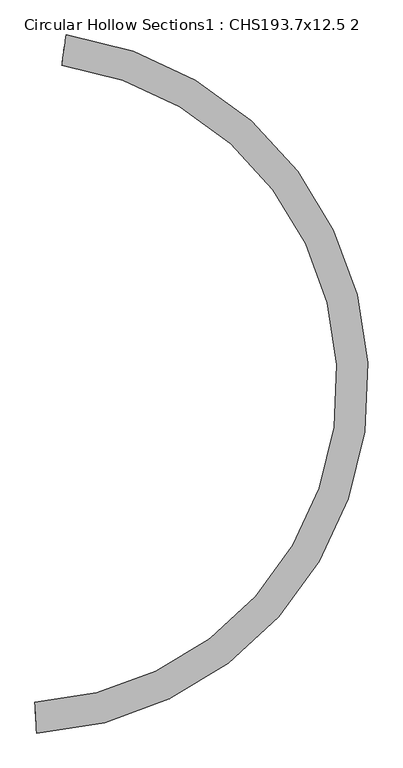
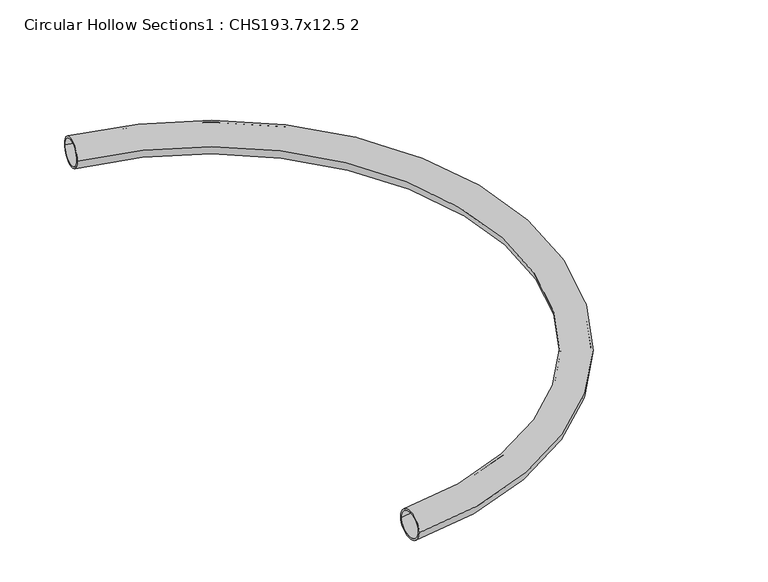
"""IFC4 building model written with IfcOpenShell, lengths in millimetres: beam geometry, Circular Hollow Sections1 : CHS193.7x12.5 2."""

from ifc_helpers import new_model, si_unit, point, frame, origin, place, context, project, spatial, circle_curve, ellipse_curve, trimmed, source, transform, mapped, element, save
from ifc_brep_helpers import plane_surface, revolved_surface, advanced_brep


def circular_hollow_sections1_chs193_7x12_5_2_e1fdd143(model_context):
    return source(origin(), model_context, "Body", "AdvancedBrep", [
        advanced_brep(
        [(281.3026578, 4103.3995428, 0.0), (308.3688599, 4295.1992057, 0.0), (306.6222026, 4282.8218398, 0.0), (283.0493151, 4115.7769088, 0.0), (112.0487616, 99.9706476, 0.0), (122.8297989, -93.4290919, 0.0), (122.1340685, -80.9484685, 0.0), (112.7444919, 87.4900242, 0.0)],
        [
            (0, 1, circle_curve(frame((294.8357589, 4199.2993743, 0.0), z_axis=(-0.9901892769025886, 0.1397325871338846, 0.0), x_axis=(0.1397325871338846, 0.9901892769025886, 0.0)), 96.85)),
            (1, 0, circle_curve(frame((294.8357589, 4199.2993743, 0.0), z_axis=(-0.9901892769025884, 0.13973258713388623, 0.0), x_axis=(0.13973258713388623, 0.9901892769025884, 0.0)), 96.85)),
            (2, 3, circle_curve(frame((294.8357589, 4199.2993743, 0.0), z_axis=(0.9901892769025886, -0.1397325871338846, 0.0), x_axis=(0.1397325871338846, 0.9901892769025886, 0.0)), 84.35)),
            (3, 2, circle_curve(frame((294.8357589, 4199.2993743, 0.0), z_axis=(0.9901892769025884, -0.13973258713388623, 0.0), x_axis=(0.13973258713388623, 0.9901892769025884, 0.0)), 84.35)),
            (4, 5, circle_curve(frame((117.4392802, 3.2707779, 0.0), z_axis=(-0.99844986831728, -0.05565842665047501, 0.0), x_axis=(0.05565842665047502, -0.99844986831728, 0.0)), 96.85)),
            (5, 4, circle_curve(frame((117.4392802, 3.2707779, 0.0), z_axis=(-0.9984498683172799, -0.055658426650476454, 0.0), x_axis=(0.05565842665047646, -0.9984498683172799, 0.0)), 96.85)),
            (6, 7, circle_curve(frame((117.4392802, 3.2707779, 0.0), z_axis=(0.99844986831728, 0.05565842665047479, 0.0), x_axis=(0.055658426650474796, -0.99844986831728, 0.0)), 84.35)),
            (7, 6, circle_curve(frame((117.4392802, 3.2707779, 0.0), z_axis=(0.9984498683172799, 0.055658426650476676, 0.0), x_axis=(0.05565842665047668, -0.9984498683172799, 0.0)), 84.35)),
            (1, 5, circle_curve(frame((0.0, 2110.0, 0.0), z_axis=(0.0, 0.0, -1.0), x_axis=(-0.9991075140054365, 0.042239501155631805, 0.0)), 2206.85)),
            (4, 0, circle_curve(frame((0.0, 2110.0, 0.0), z_axis=(0.0, 0.0, 1.0), x_axis=(-0.9991075140054365, 0.042239501155631805, 0.0)), 2013.15)),
            (3, 7, circle_curve(frame((0.0, 2110.0, 0.0), z_axis=(0.0, 0.0, -1.0), x_axis=(-0.9991075140054365, 0.042239501155631805, 0.0)), 2025.65)),
            (6, 2, circle_curve(frame((0.0, 2110.0, 0.0), z_axis=(0.0, 0.0, 1.0), x_axis=(-0.9991075140054365, 0.042239501155631805, 0.0)), 2194.35)),
        ],
        [
            plane_surface(frame((308.3688599, 4295.1992057, 0.0), z_axis=(-0.9901892769025904, 0.13973258713387252, 0.0), x_axis=(0.0, 0.0, 1.0))),
            plane_surface(frame((122.8297989, -93.4290919, 0.0), z_axis=(-0.9984498683172796, -0.055658426650482415, 0.0), x_axis=(0.0, 0.0, -1.0))),
            revolved_surface(trimmed(ellipse_curve(frame((-2108.1168546, 2199.1253474, 0.0), z_axis=(-0.042239501155643844, -0.999107514005436, 0.0), x_axis=(-0.999107514005436, 0.04223950115564385, 0.0)), 96.85, 96.85), [point((-2204.8804173, 2203.2162431, 0.0))], [point((-2011.3532918, 2195.0344518, 0.0))], True, "CARTESIAN"), (0.0, 2110.0, 0.0), (0.0, 0.0, -1.0000000000000002)),
            revolved_surface(trimmed(ellipse_curve(frame((-2108.1168546, 2199.1253474, 0.0), z_axis=(-0.0422395011556422, -0.9991075140054361, 0.0), x_axis=(-0.9991075140054361, 0.042239501155642206, 0.0)), 96.85, 96.85), [point((-2011.3532918, 2195.0344518, 0.0))], [point((-2204.8804173, 2203.2162431, 0.0))], True, "CARTESIAN"), (0.0, 2110.0, 0.0), (0.0, 0.0, -1.0000000000000002)),
            revolved_surface(trimmed(ellipse_curve(frame((-2108.1168546, 2199.1253474, 0.0), z_axis=(0.042239501155643844, 0.999107514005436, 0.0), x_axis=(-0.999107514005436, 0.04223950115564385, 0.0)), 84.35, 84.35), [point((-2023.8421357, 2195.5624455, 0.0))], [point((-2192.3915734, 2202.6882494, 0.0))], True, "CARTESIAN"), (0.0, 2110.0, 0.0), (0.0, 0.0, -1.0000000000000002)),
            revolved_surface(trimmed(ellipse_curve(frame((-2108.1168546, 2199.1253474, 0.0), z_axis=(0.0422395011556422, 0.9991075140054361, 0.0), x_axis=(-0.9991075140054361, 0.042239501155642206, 0.0)), 84.35, 84.35), [point((-2192.3915734, 2202.6882494, 0.0))], [point((-2023.8421357, 2195.5624455, 0.0))], True, "CARTESIAN"), (0.0, 2110.0, 0.0), (0.0, 0.0, -1.0000000000000002)),
        ],
        [
            (0, [[1, 2], [3, 4]]),
            (1, [[5, 6], [7, 8]]),
            (2, [[9, -5, 10, -2]]),
            (3, [[-10, -6, -9, -1]]),
            (4, [[11, -7, 12, -4]]),
            (5, [[-12, -8, -11, -3]]),
        ],
    ),
    ])


if __name__ == "__main__":
    model = new_model("IFC4")
    model_context = context("Model", 3, world=origin())
    ifc_project = project(units=[si_unit("LENGTHUNIT", "METRE", prefix="MILLI")], contexts=[model_context])
    site = spatial("IfcSite", under=ifc_project)
    building = spatial("IfcBuilding", under=site)
    placement = place(None, origin())
    circular_hollow_sections1_chs193_7x12_5_2_shape = circular_hollow_sections1_chs193_7x12_5_2_e1fdd143(model_context)
    element("IfcBeam", 1, ObjectType="Circular Hollow Sections1 : CHS193.7x12.5 2", at=placement, inside=building, context=model_context, shape_type="MappedRepresentation", body=[
        mapped(circular_hollow_sections1_chs193_7x12_5_2_shape, transform((0.0, 0.0, 0.0), x_axis=(1.0, 0.0, 0.0), y_axis=(0.0, 1.0, 0.0), z_axis=(0.0, 0.0, 1.0))),
    ])
    save(model, "model.ifc")
